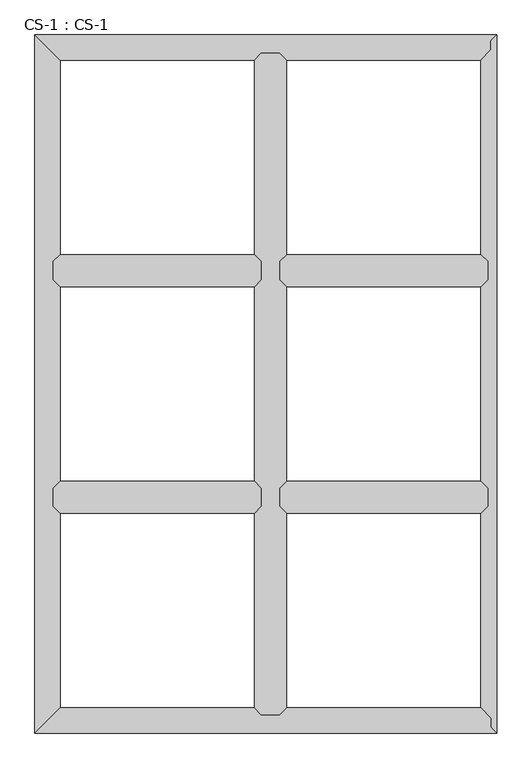
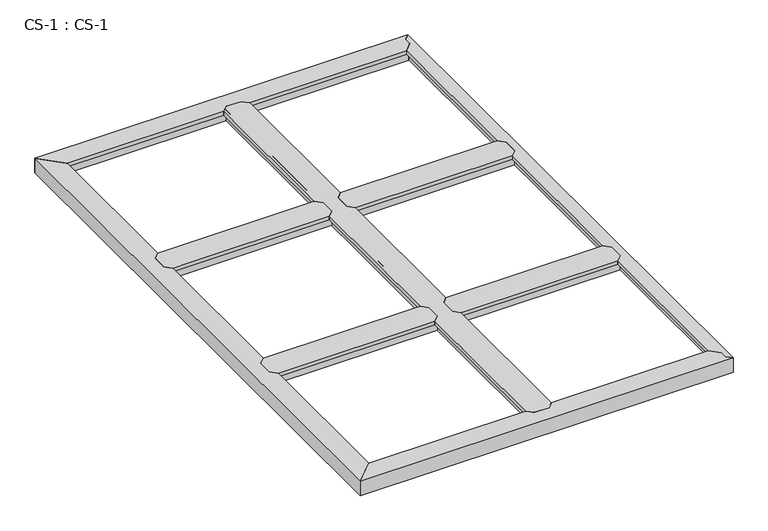
"""IFC4 building model written with IfcOpenShell, lengths in millimetres: proxy geometry, CS-1 : CS-1."""

from ifc_helpers import new_model, si_unit, origin, place, context, project, spatial, faceted_brep, source, transform, mapped, element, save


def cs_1_cs_1_a08e52f6(model_context):
    return source(origin(), model_context, "Body", "Brep", [
        faceted_brep([(812.8, 1625.6, 46.355), (812.8, 1625.6, 0.0), (812.8, 1632.585, 0.0), (812.8, 1632.585, 63.5), (812.8, 1684.655, 63.5), (812.8, 1684.655, 0.0), (812.8, 1691.64, 0.0), (812.8, 1691.64, 46.355), (812.8, 1691.64, 66.675), (812.8, 1625.6, 66.675), (66.04, 1691.64, 46.355), (66.04, 1691.64, 0.0), (66.04, 1684.655, 0.0), (66.04, 1684.655, 63.5), (66.04, 1632.585, 63.5), (66.04, 1632.585, 0.0), (66.04, 1625.6, 0.0), (66.04, 1625.6, 46.355), (66.04, 1625.6, 66.675), (66.04, 1691.64, 66.675), (90.678, 1716.278, 66.675), (788.162, 1716.278, 66.675), (788.162, 1716.278, 49.8094), (90.678, 1716.278, 49.8094), (789.686, 1714.754, 49.8094), (89.154, 1714.754, 49.8094), (789.686, 1714.754, 64.643), (89.154, 1714.754, 64.643), (799.973, 1704.467, 64.643), (78.867, 1704.467, 64.643), (799.973, 1704.467, 46.355), (78.867, 1704.467, 46.355), (799.973, 1612.773, 46.355), (78.867, 1612.773, 46.355), (799.973, 1612.773, 64.643), (78.867, 1612.773, 64.643), (789.686, 1602.486, 64.643), (89.154, 1602.486, 64.643), (789.686, 1602.486, 49.8094), (89.154, 1602.486, 49.8094), (788.162, 1600.962, 49.8094), (90.678, 1600.962, 49.8094), (788.162, 1600.962, 66.675), (90.678, 1600.962, 66.675)], [[[0, 1, 2, 3, 4, 5, 6, 7, 8, 9]], [[10, 11, 12, 13, 14, 15, 16, 17, 18, 19]], [[20, 21, 22, 23]], [[23, 22, 24, 25]], [[25, 24, 26, 27]], [[27, 26, 28, 29]], [[29, 28, 30, 31]], [[7, 10, 31, 30]], [[7, 6, 11, 10]], [[6, 5, 12, 11]], [[5, 4, 13, 12]], [[4, 3, 14, 13]], [[3, 2, 15, 14]], [[2, 1, 16, 15]], [[1, 0, 17, 16]], [[17, 0, 32, 33]], [[33, 32, 34, 35]], [[35, 34, 36, 37]], [[37, 36, 38, 39]], [[39, 38, 40, 41]], [[41, 40, 42, 43]], [[9, 8, 21, 20, 19, 18, 43, 42]], [[10, 19, 20, 23, 25, 27, 29, 31]], [[18, 17, 33, 35, 37, 39, 41, 43]], [[0, 9, 42, 40, 38, 36, 34, 32]], [[8, 7, 30, 28, 26, 24, 22, 21]]]),
        faceted_brep([(812.8, 812.8, 46.355), (812.8, 812.8, 0.0), (812.8, 819.785, 0.0), (812.8, 819.785, 63.5), (812.8, 871.855, 63.5), (812.8, 871.855, 0.0), (812.8, 878.84, 0.0), (812.8, 878.84, 46.355), (812.8, 878.84, 66.675), (812.8, 812.8, 66.675), (66.04, 878.84, 46.355), (66.04, 878.84, 0.0), (66.04, 871.855, 0.0), (66.04, 871.855, 63.5), (66.04, 819.785, 63.5), (66.04, 819.785, 0.0), (66.04, 812.8, 0.0), (66.04, 812.8, 46.355), (66.04, 812.8, 66.675), (66.04, 878.84, 66.675), (90.678, 903.478, 66.675), (788.162, 903.478, 66.675), (788.162, 903.478, 49.8094), (90.678, 903.478, 49.8094), (789.686, 901.954, 49.8094), (89.154, 901.954, 49.8094), (789.686, 901.954, 64.643), (89.154, 901.954, 64.643), (799.973, 891.667, 64.643), (78.867, 891.667, 64.643), (799.973, 891.667, 46.355), (78.867, 891.667, 46.355), (799.973, 799.973, 46.355), (78.867, 799.973, 46.355), (799.973, 799.973, 64.643), (78.867, 799.973, 64.643), (789.686, 789.686, 64.643), (89.154, 789.686, 64.643), (789.686, 789.686, 49.8094), (89.154, 789.686, 49.8094), (788.162, 788.162, 49.8094), (90.678, 788.162, 49.8094), (788.162, 788.162, 66.675), (90.678, 788.162, 66.675)], [[[0, 1, 2, 3, 4, 5, 6, 7, 8, 9]], [[10, 11, 12, 13, 14, 15, 16, 17, 18, 19]], [[20, 21, 22, 23]], [[23, 22, 24, 25]], [[25, 24, 26, 27]], [[27, 26, 28, 29]], [[29, 28, 30, 31]], [[7, 10, 31, 30]], [[7, 6, 11, 10]], [[6, 5, 12, 11]], [[5, 4, 13, 12]], [[4, 3, 14, 13]], [[3, 2, 15, 14]], [[2, 1, 16, 15]], [[1, 0, 17, 16]], [[17, 0, 32, 33]], [[33, 32, 34, 35]], [[35, 34, 36, 37]], [[37, 36, 38, 39]], [[39, 38, 40, 41]], [[41, 40, 42, 43]], [[9, 8, 21, 20, 19, 18, 43, 42]], [[10, 19, 20, 23, 25, 27, 29, 31]], [[18, 17, 33, 35, 37, 39, 41, 43]], [[0, 9, 42, 40, 38, 36, 34, 32]], [[8, 7, 30, 28, 26, 24, 22, 21]]]),
        faceted_brep([(878.84, 2438.4, 46.355), (878.84, 2438.4, 0.0), (871.855, 2438.4, 0.0), (871.855, 2438.4, 63.5), (819.785, 2438.4, 63.5), (819.785, 2438.4, 0.0), (812.8, 2438.4, 0.0), (812.8, 2438.4, 46.355), (812.8, 2438.4, 66.675), (878.84, 2438.4, 66.675), (812.8, 66.04, 46.355), (812.8, 66.04, 0.0), (819.785, 66.04, 0.0), (819.785, 66.04, 63.5), (871.855, 66.04, 63.5), (871.855, 66.04, 0.0), (878.84, 66.04, 0.0), (878.84, 66.04, 46.355), (878.84, 66.04, 66.675), (812.8, 66.04, 66.675), (788.162, 90.678, 49.8094), (788.162, 90.678, 66.675), (788.162, 788.162, 66.675), (788.162, 788.162, 49.8094), (788.162, 2413.762, 66.675), (788.162, 2413.762, 49.8094), (788.162, 1716.278, 49.8094), (788.162, 1716.278, 66.675), (788.162, 903.478, 49.8094), (788.162, 903.478, 66.675), (788.162, 1600.962, 66.675), (788.162, 1600.962, 49.8094), (789.686, 89.154, 49.8094), (789.686, 789.686, 49.8094), (789.686, 2415.286, 49.8094), (789.686, 1714.754, 49.8094), (789.686, 901.954, 49.8094), (789.686, 1602.486, 49.8094), (789.686, 89.154, 64.643), (789.686, 789.686, 64.643), (789.686, 2415.286, 64.643), (789.686, 1714.754, 64.643), (789.686, 901.954, 64.643), (789.686, 1602.486, 64.643), (799.973, 78.867, 64.643), (799.973, 799.973, 64.643), (799.973, 2425.573, 64.643), (799.973, 1704.467, 64.643), (799.973, 891.667, 64.643), (799.973, 1612.773, 64.643), (799.973, 78.867, 46.355), (799.973, 799.973, 46.355), (799.973, 2425.573, 46.355), (799.973, 1704.467, 46.355), (799.973, 891.667, 46.355), (799.973, 1612.773, 46.355), (812.8, 812.8, 46.355), (812.8, 1691.64, 46.355), (812.8, 878.84, 46.355), (812.8, 1625.6, 46.355), (812.8, 812.8, 66.675), (812.8, 878.84, 66.675), (812.8, 1625.6, 66.675), (812.8, 1691.64, 66.675), (878.84, 1691.64, 46.355), (878.84, 1691.64, 66.675), (878.84, 1625.6, 66.675), (878.84, 1625.6, 46.355), (878.84, 878.84, 46.355), (878.84, 878.84, 66.675), (878.84, 812.8, 66.675), (878.84, 812.8, 46.355), (891.667, 78.867, 46.355), (891.667, 799.973, 46.355), (891.667, 2425.573, 46.355), (891.667, 1704.467, 46.355), (891.667, 891.667, 46.355), (891.667, 1612.773, 46.355), (891.667, 78.867, 64.643), (891.667, 799.973, 64.643), (891.667, 2425.573, 64.643), (891.667, 1704.467, 64.643), (891.667, 891.667, 64.643), (891.667, 1612.773, 64.643), (901.954, 89.154, 64.643), (901.954, 789.686, 64.643), (901.954, 2415.286, 64.643), (901.954, 1714.754, 64.643), (901.954, 901.954, 64.643), (901.954, 1602.486, 64.643), (901.954, 89.154, 49.8094), (901.954, 789.686, 49.8094), (901.954, 2415.286, 49.8094), (901.954, 1714.754, 49.8094), (901.954, 901.954, 49.8094), (901.954, 1602.486, 49.8094), (903.478, 90.678, 49.8094), (903.478, 788.162, 49.8094), (903.478, 2413.762, 49.8094), (903.478, 1716.278, 49.8094), (903.478, 903.478, 49.8094), (903.478, 1600.962, 49.8094), (903.478, 90.678, 66.675), (903.478, 788.162, 66.675), (903.478, 2413.762, 66.675), (903.478, 1716.278, 66.675), (903.478, 903.478, 66.675), (903.478, 1600.962, 66.675)], [[[0, 1, 2, 3, 4, 5, 6, 7, 8, 9]], [[10, 11, 12, 13, 14, 15, 16, 17, 18, 19]], [[20, 21, 22, 23]], [[24, 25, 26, 27]], [[28, 29, 30, 31]], [[32, 20, 23, 33]], [[25, 34, 35, 26]], [[36, 28, 31, 37]], [[38, 32, 33, 39]], [[34, 40, 41, 35]], [[42, 36, 37, 43]], [[44, 38, 39, 45]], [[40, 46, 47, 41]], [[48, 42, 43, 49]], [[50, 44, 45, 51]], [[46, 52, 53, 47]], [[54, 48, 49, 55]], [[10, 50, 51, 56]], [[52, 7, 57, 53]], [[58, 54, 55, 59]], [[7, 6, 11, 10, 56, 60, 61, 58, 59, 62, 63, 57]], [[6, 5, 12, 11]], [[5, 4, 13, 12]], [[4, 3, 14, 13]], [[3, 2, 15, 14]], [[2, 1, 16, 15]], [[1, 0, 64, 65, 66, 67, 68, 69, 70, 71, 17, 16]], [[72, 17, 71, 73]], [[0, 74, 75, 64]], [[76, 68, 67, 77]], [[78, 72, 73, 79]], [[74, 80, 81, 75]], [[82, 76, 77, 83]], [[84, 78, 79, 85]], [[80, 86, 87, 81]], [[88, 82, 83, 89]], [[90, 84, 85, 91]], [[86, 92, 93, 87]], [[94, 88, 89, 95]], [[96, 90, 91, 97]], [[92, 98, 99, 93]], [[100, 94, 95, 101]], [[102, 96, 97, 103]], [[98, 104, 105, 99]], [[106, 100, 101, 107]], [[9, 8, 24, 27, 63, 62, 30, 29, 61, 60, 22, 21, 19, 18, 102, 103, 70, 69, 106, 107, 66, 65, 105, 104]], [[10, 19, 21, 20, 32, 38, 44, 50]], [[18, 17, 72, 78, 84, 90, 96, 102]], [[0, 9, 104, 98, 92, 86, 80, 74]], [[8, 7, 52, 46, 40, 34, 25, 24]], [[60, 56, 51, 45, 39, 33, 23, 22]], [[58, 61, 29, 28, 36, 42, 48, 54]], [[62, 59, 55, 49, 43, 37, 31, 30]], [[57, 63, 27, 26, 35, 41, 47, 53]], [[69, 68, 76, 82, 88, 94, 100, 106]], [[71, 70, 103, 97, 91, 85, 79, 73]], [[65, 64, 75, 81, 87, 93, 99, 105]], [[67, 66, 107, 101, 95, 89, 83, 77]]]),
        faceted_brep([(1625.6, 812.8, 46.355), (1625.6, 812.8, 0.0), (1625.6, 819.785, 0.0), (1625.6, 819.785, 63.5), (1625.6, 871.855, 63.5), (1625.6, 871.855, 0.0), (1625.6, 878.84, 0.0), (1625.6, 878.84, 46.355), (1625.6, 878.84, 66.675), (1625.6, 812.8, 66.675), (878.84, 878.84, 46.355), (878.84, 878.84, 0.0), (878.84, 871.855, 0.0), (878.84, 871.855, 63.5), (878.84, 819.785, 63.5), (878.84, 819.785, 0.0), (878.84, 812.8, 0.0), (878.84, 812.8, 46.355), (878.84, 812.8, 66.675), (878.84, 878.84, 66.675), (903.478, 903.478, 66.675), (1600.962, 903.478, 66.675), (1600.962, 903.478, 49.8094), (903.478, 903.478, 49.8094), (1602.486, 901.954, 49.8094), (901.954, 901.954, 49.8094), (1602.486, 901.954, 64.643), (901.954, 901.954, 64.643), (1612.773, 891.667, 64.643), (891.667, 891.667, 64.643), (1612.773, 891.667, 46.355), (891.667, 891.667, 46.355), (1612.773, 799.973, 46.355), (891.667, 799.973, 46.355), (1612.773, 799.973, 64.643), (891.667, 799.973, 64.643), (1602.486, 789.686, 64.643), (901.954, 789.686, 64.643), (1602.486, 789.686, 49.8094), (901.954, 789.686, 49.8094), (1600.962, 788.162, 49.8094), (903.478, 788.162, 49.8094), (1600.962, 788.162, 66.675), (903.478, 788.162, 66.675)], [[[0, 1, 2, 3, 4, 5, 6, 7, 8, 9]], [[10, 11, 12, 13, 14, 15, 16, 17, 18, 19]], [[20, 21, 22, 23]], [[23, 22, 24, 25]], [[25, 24, 26, 27]], [[27, 26, 28, 29]], [[29, 28, 30, 31]], [[7, 10, 31, 30]], [[7, 6, 11, 10]], [[6, 5, 12, 11]], [[5, 4, 13, 12]], [[4, 3, 14, 13]], [[3, 2, 15, 14]], [[2, 1, 16, 15]], [[1, 0, 17, 16]], [[17, 0, 32, 33]], [[33, 32, 34, 35]], [[35, 34, 36, 37]], [[37, 36, 38, 39]], [[39, 38, 40, 41]], [[41, 40, 42, 43]], [[9, 8, 21, 20, 19, 18, 43, 42]], [[10, 19, 20, 23, 25, 27, 29, 31]], [[18, 17, 33, 35, 37, 39, 41, 43]], [[0, 9, 42, 40, 38, 36, 34, 32]], [[8, 7, 30, 28, 26, 24, 22, 21]]]),
        faceted_brep([(1625.6, 1625.6, 46.355), (1625.6, 1625.6, 0.0), (1625.6, 1632.585, 0.0), (1625.6, 1632.585, 63.5), (1625.6, 1684.655, 63.5), (1625.6, 1684.655, 0.0), (1625.6, 1691.64, 0.0), (1625.6, 1691.64, 46.355), (1625.6, 1691.64, 66.675), (1625.6, 1625.6, 66.675), (878.84, 1691.64, 46.355), (878.84, 1691.64, 0.0), (878.84, 1684.655, 0.0), (878.84, 1684.655, 63.5), (878.84, 1632.585, 63.5), (878.84, 1632.585, 0.0), (878.84, 1625.6, 0.0), (878.84, 1625.6, 46.355), (878.84, 1625.6, 66.675), (878.84, 1691.64, 66.675), (903.478, 1716.278, 66.675), (1600.962, 1716.278, 66.675), (1600.962, 1716.278, 49.8094), (903.478, 1716.278, 49.8094), (1602.486, 1714.754, 49.8094), (901.954, 1714.754, 49.8094), (1602.486, 1714.754, 64.643), (901.954, 1714.754, 64.643), (1612.773, 1704.467, 64.643), (891.667, 1704.467, 64.643), (1612.773, 1704.467, 46.355), (891.667, 1704.467, 46.355), (1612.773, 1612.773, 46.355), (891.667, 1612.773, 46.355), (1612.773, 1612.773, 64.643), (891.667, 1612.773, 64.643), (1602.486, 1602.486, 64.643), (901.954, 1602.486, 64.643), (1602.486, 1602.486, 49.8094), (901.954, 1602.486, 49.8094), (1600.962, 1600.962, 49.8094), (903.478, 1600.962, 49.8094), (1600.962, 1600.962, 66.675), (903.478, 1600.962, 66.675)], [[[0, 1, 2, 3, 4, 5, 6, 7, 8, 9]], [[10, 11, 12, 13, 14, 15, 16, 17, 18, 19]], [[20, 21, 22, 23]], [[23, 22, 24, 25]], [[25, 24, 26, 27]], [[27, 26, 28, 29]], [[29, 28, 30, 31]], [[7, 10, 31, 30]], [[7, 6, 11, 10]], [[6, 5, 12, 11]], [[5, 4, 13, 12]], [[4, 3, 14, 13]], [[3, 2, 15, 14]], [[2, 1, 16, 15]], [[1, 0, 17, 16]], [[17, 0, 32, 33]], [[33, 32, 34, 35]], [[35, 34, 36, 37]], [[37, 36, 38, 39]], [[39, 38, 40, 41]], [[41, 40, 42, 43]], [[9, 8, 21, 20, 19, 18, 43, 42]], [[10, 19, 20, 23, 25, 27, 29, 31]], [[18, 17, 33, 35, 37, 39, 41, 43]], [[0, 9, 42, 40, 38, 36, 34, 32]], [[8, 7, 30, 28, 26, 24, 22, 21]]]),
        faceted_brep([(1658.62, 0.0, 0.0), (0.0, 0.0, 0.0), (6.985, 6.985, 0.0), (1651.635, 6.985, 0.0), (1651.635, 6.985, 63.5), (6.985, 6.985, 63.5), (1637.03, 21.59, 63.5), (59.055, 59.055, 63.5), (1631.5093878, 59.055, 63.5), (1637.03, 53.34, 63.5), (1631.5093878, 59.055, 0.0), (59.055, 59.055, 0.0), (66.04, 66.04, 0.0), (1624.7619728, 66.04, 0.0), (1624.7619728, 66.04, 46.355), (66.04, 66.04, 46.355), (812.8, 66.04, 46.355), (812.8, 66.04, 66.675), (878.84, 66.04, 66.675), (878.84, 66.04, 46.355), (1612.3712653, 78.867, 46.355), (891.667, 78.867, 46.355), (78.867, 78.867, 46.355), (799.973, 78.867, 46.355), (1612.3712653, 78.867, 63.5), (891.667, 78.867, 63.5), (78.867, 78.867, 63.5), (799.973, 78.867, 63.5), (1602.4341633, 89.154, 63.5), (901.954, 89.154, 63.5), (89.154, 89.154, 63.5), (789.686, 89.154, 63.5), (1602.4341633, 89.154, 49.8094), (901.954, 89.154, 49.8094), (89.154, 89.154, 49.8094), (789.686, 89.154, 49.8094), (1600.962, 90.678, 49.8094), (903.478, 90.678, 49.8094), (90.678, 90.678, 49.8094), (788.162, 90.678, 49.8094), (1600.962, 90.678, 66.675), (903.478, 90.678, 66.675), (90.678, 90.678, 66.675), (788.162, 90.678, 66.675), (0.0, 0.0, 66.675), (1658.62, 0.0, 66.675), (1637.03, 21.59, 66.675), (1637.03, 53.34, 66.675)], [[[0, 1, 2, 3]], [[4, 3, 2, 5]], [[6, 4, 5, 7, 8, 9]], [[10, 8, 7, 11]], [[12, 13, 10, 11]], [[14, 13, 12, 15, 16, 17, 18, 19]], [[20, 14, 19, 21]], [[15, 22, 23, 16]], [[24, 20, 21, 25]], [[22, 26, 27, 23]], [[28, 24, 25, 29]], [[26, 30, 31, 27]], [[32, 28, 29, 33]], [[30, 34, 35, 31]], [[36, 32, 33, 37]], [[34, 38, 39, 35]], [[40, 36, 37, 41]], [[38, 42, 43, 39]], [[44, 45, 46, 47, 40, 41, 18, 17, 43, 42]], [[1, 0, 45, 44]], [[6, 46, 45, 0, 3, 4]], [[47, 9, 8, 10, 13, 14, 20, 24, 28, 32, 36, 40]], [[46, 6, 9, 47]], [[2, 1, 44, 42, 38, 34, 30, 26, 22, 15, 12, 11, 7, 5]], [[17, 16, 23, 27, 31, 35, 39, 43]], [[19, 18, 41, 37, 33, 29, 25, 21]]]),
        faceted_brep([(1658.62, 0.0, 66.675), (1658.62, 2504.44, 66.675), (1637.03, 2482.85, 66.675), (1637.03, 2451.1, 66.675), (1600.962, 2413.762, 66.675), (1600.962, 1716.278, 66.675), (1625.6, 1691.64, 66.675), (1625.6, 1625.6, 66.675), (1600.962, 1600.962, 66.675), (1600.962, 903.478, 66.675), (1625.6, 878.84, 66.675), (1625.6, 812.8, 66.675), (1600.962, 788.162, 66.675), (1600.962, 90.678, 66.675), (1637.03, 53.34, 66.675), (1637.03, 21.59, 66.675), (1658.62, 0.0, 63.5), (1658.62, 2504.44, 63.5), (1637.03, 21.59, 63.5), (1637.03, 53.34, 63.5), (1632.585, 57.9415141, 63.5), (1632.585, 2446.4984859, 63.5), (1637.03, 2451.1, 63.5), (1637.03, 2482.85, 63.5), (1632.585, 2446.4984859, 0.0), (1632.585, 57.9415141, 0.0), (1625.6, 65.1724648, 0.0), (1625.6, 2439.2675352, 0.0), (1625.6, 2439.2675352, 46.355), (1625.6, 65.1724648, 46.355), (1625.6, 812.8, 46.355), (1625.6, 878.84, 46.355), (1625.6, 1625.6, 46.355), (1625.6, 1691.64, 46.355), (1612.773, 2425.9888803, 46.355), (1612.773, 1704.467, 46.355), (1612.773, 78.4511197, 46.355), (1612.773, 799.973, 46.355), (1612.773, 1612.773, 46.355), (1612.773, 891.667, 46.355), (1612.773, 2425.9888803, 64.643), (1612.773, 1704.467, 64.643), (1612.773, 78.4511197, 64.643), (1612.773, 799.973, 64.643), (1612.773, 1612.773, 64.643), (1612.773, 891.667, 64.643), (1602.486, 2415.339662, 64.643), (1602.486, 1714.754, 64.643), (1602.486, 89.100338, 64.643), (1602.486, 789.686, 64.643), (1602.486, 1602.486, 64.643), (1602.486, 901.954, 64.643), (1602.486, 2415.339662, 49.8094), (1602.486, 1714.754, 49.8094), (1602.486, 89.100338, 49.8094), (1602.486, 789.686, 49.8094), (1602.486, 1602.486, 49.8094), (1602.486, 901.954, 49.8094), (1600.962, 2413.762, 49.8094), (1600.962, 1716.278, 49.8094), (1600.962, 90.678, 49.8094), (1600.962, 788.162, 49.8094), (1600.962, 1600.962, 49.8094), (1600.962, 903.478, 49.8094)], [[[0, 1, 2, 3, 4, 5, 6, 7, 8, 9, 10, 11, 12, 13, 14, 15]], [[1, 0, 16, 17]], [[17, 16, 18, 19, 20, 21, 22, 23]], [[24, 21, 20, 25]], [[26, 27, 24, 25]], [[28, 27, 26, 29, 30, 11, 10, 31, 32, 7, 6, 33]], [[34, 28, 33, 35]], [[29, 36, 37, 30]], [[38, 32, 31, 39]], [[40, 34, 35, 41]], [[36, 42, 43, 37]], [[44, 38, 39, 45]], [[46, 40, 41, 47]], [[42, 48, 49, 43]], [[50, 44, 45, 51]], [[52, 46, 47, 53]], [[48, 54, 55, 49]], [[56, 50, 51, 57]], [[58, 52, 53, 59]], [[54, 60, 61, 55]], [[62, 56, 57, 63]], [[4, 58, 59, 5]], [[60, 13, 12, 61]], [[8, 62, 63, 9]], [[23, 2, 1, 17]], [[3, 22, 21, 24, 27, 28, 34, 40, 46, 52, 58, 4]], [[2, 23, 22, 3]], [[18, 15, 14, 19]], [[19, 14, 13, 60, 54, 48, 42, 36, 29, 26, 25, 20]], [[15, 18, 16, 0]], [[7, 32, 38, 44, 50, 56, 62, 8]], [[33, 6, 5, 59, 53, 47, 41, 35]], [[11, 30, 37, 43, 49, 55, 61, 12]], [[31, 10, 9, 63, 57, 51, 45, 39]]]),
        faceted_brep([(0.0, 2504.44, 0.0), (1658.62, 2504.44, 0.0), (1651.635, 2497.455, 0.0), (6.985, 2497.455, 0.0), (6.985, 2497.455, 63.5), (1651.635, 2497.455, 63.5), (59.055, 2445.385, 63.5), (1637.03, 2482.85, 63.5), (1637.03, 2451.1, 63.5), (1631.5093878, 2445.385, 63.5), (59.055, 2445.385, 0.0), (1631.5093878, 2445.385, 0.0), (1624.7619728, 2438.4, 0.0), (66.04, 2438.4, 0.0), (66.04, 2438.4, 46.355), (1624.7619728, 2438.4, 46.355), (878.84, 2438.4, 46.355), (878.84, 2438.4, 66.675), (812.8, 2438.4, 66.675), (812.8, 2438.4, 46.355), (78.867, 2425.573, 46.355), (799.973, 2425.573, 46.355), (1612.3712653, 2425.573, 46.355), (891.667, 2425.573, 46.355), (78.867, 2425.573, 63.5), (799.973, 2425.573, 63.5), (1612.3712653, 2425.573, 63.5), (891.667, 2425.573, 63.5), (89.154, 2415.286, 63.5), (789.686, 2415.286, 63.5), (1602.4341633, 2415.286, 63.5), (901.954, 2415.286, 63.5), (89.154, 2415.286, 49.8094), (789.686, 2415.286, 49.8094), (1602.4341633, 2415.286, 49.8094), (901.954, 2415.286, 49.8094), (90.678, 2413.762, 49.8094), (788.162, 2413.762, 49.8094), (1600.962, 2413.762, 49.8094), (903.478, 2413.762, 49.8094), (90.678, 2413.762, 66.675), (788.162, 2413.762, 66.675), (1600.962, 2413.762, 66.675), (903.478, 2413.762, 66.675), (1658.62, 2504.44, 66.675), (0.0, 2504.44, 66.675), (1637.03, 2451.1, 66.675), (1637.03, 2482.85, 66.675)], [[[0, 1, 2, 3]], [[4, 3, 2, 5]], [[6, 4, 5, 7, 8, 9]], [[10, 6, 9, 11]], [[12, 13, 10, 11]], [[14, 13, 12, 15, 16, 17, 18, 19]], [[20, 14, 19, 21]], [[15, 22, 23, 16]], [[24, 20, 21, 25]], [[22, 26, 27, 23]], [[28, 24, 25, 29]], [[26, 30, 31, 27]], [[32, 28, 29, 33]], [[30, 34, 35, 31]], [[36, 32, 33, 37]], [[34, 38, 39, 35]], [[40, 36, 37, 41]], [[38, 42, 43, 39]], [[44, 45, 40, 41, 18, 17, 43, 42, 46, 47]], [[1, 0, 45, 44]], [[0, 3, 4, 6, 10, 13, 14, 20, 24, 28, 32, 36, 40, 45]], [[7, 47, 46, 8]], [[8, 46, 42, 38, 34, 30, 26, 22, 15, 12, 11, 9]], [[47, 7, 5, 2, 1, 44]], [[17, 16, 23, 27, 31, 35, 39, 43]], [[19, 18, 41, 37, 33, 29, 25, 21]]]),
        faceted_brep([(0.0, 0.0, 0.0), (0.0, 2504.44, 0.0), (6.985, 2497.455, 0.0), (6.985, 6.985, 0.0), (6.985, 6.985, 63.5), (6.985, 2497.455, 63.5), (59.055, 59.055, 63.5), (59.055, 2445.385, 63.5), (59.055, 59.055, 0.0), (59.055, 2445.385, 0.0), (66.04, 2438.4, 0.0), (66.04, 66.04, 0.0), (66.04, 66.04, 46.355), (66.04, 2438.4, 46.355), (66.04, 1691.64, 46.355), (66.04, 1691.64, 66.675), (66.04, 1625.6, 66.675), (66.04, 1625.6, 46.355), (66.04, 878.84, 46.355), (66.04, 878.84, 66.675), (66.04, 812.8, 66.675), (66.04, 812.8, 46.355), (78.867, 78.867, 46.355), (78.867, 799.973, 46.355), (78.867, 2425.573, 46.355), (78.867, 1704.467, 46.355), (78.867, 891.667, 46.355), (78.867, 1612.773, 46.355), (78.867, 78.867, 63.5), (78.867, 799.973, 63.5), (78.867, 2425.573, 63.5), (78.867, 1704.467, 63.5), (78.867, 891.667, 63.5), (78.867, 1612.773, 63.5), (89.154, 89.154, 63.5), (89.154, 789.686, 63.5), (89.154, 2415.286, 63.5), (89.154, 1714.754, 63.5), (89.154, 901.954, 63.5), (89.154, 1602.486, 63.5), (89.154, 89.154, 49.8094), (89.154, 789.686, 49.8094), (89.154, 2415.286, 49.8094), (89.154, 1714.754, 49.8094), (89.154, 901.954, 49.8094), (89.154, 1602.486, 49.8094), (90.678, 90.678, 49.8094), (90.678, 788.162, 49.8094), (90.678, 2413.762, 49.8094), (90.678, 1716.278, 49.8094), (90.678, 903.478, 49.8094), (90.678, 1600.962, 49.8094), (90.678, 90.678, 66.675), (90.678, 788.162, 66.675), (90.678, 2413.762, 66.675), (90.678, 1716.278, 66.675), (90.678, 903.478, 66.675), (90.678, 1600.962, 66.675), (0.0, 2504.44, 66.675), (0.0, 0.0, 66.675)], [[[0, 1, 2, 3]], [[4, 3, 2, 5]], [[6, 4, 5, 7]], [[8, 6, 7, 9]], [[10, 11, 8, 9]], [[12, 11, 10, 13, 14, 15, 16, 17, 18, 19, 20, 21]], [[22, 12, 21, 23]], [[13, 24, 25, 14]], [[26, 18, 17, 27]], [[28, 22, 23, 29]], [[24, 30, 31, 25]], [[32, 26, 27, 33]], [[34, 28, 29, 35]], [[30, 36, 37, 31]], [[38, 32, 33, 39]], [[40, 34, 35, 41]], [[36, 42, 43, 37]], [[44, 38, 39, 45]], [[46, 40, 41, 47]], [[42, 48, 49, 43]], [[50, 44, 45, 51]], [[52, 46, 47, 53]], [[48, 54, 55, 49]], [[56, 50, 51, 57]], [[58, 59, 52, 53, 20, 19, 56, 57, 16, 15, 55, 54]], [[1, 0, 59, 58]], [[0, 3, 4, 6, 8, 11, 12, 22, 28, 34, 40, 46, 52, 59]], [[2, 1, 58, 54, 48, 42, 36, 30, 24, 13, 10, 9, 7, 5]], [[19, 18, 26, 32, 38, 44, 50, 56]], [[21, 20, 53, 47, 41, 35, 29, 23]], [[15, 14, 25, 31, 37, 43, 49, 55]], [[17, 16, 57, 51, 45, 39, 33, 27]]]),
    ])


if __name__ == "__main__":
    model = new_model("IFC4")
    model_context = context("Model", 3, world=origin())
    ifc_project = project(units=[si_unit("LENGTHUNIT", "METRE", prefix="MILLI")], contexts=[model_context])
    site = spatial("IfcSite", under=ifc_project)
    building = spatial("IfcBuilding", under=site)
    placement = place(None, origin())
    cs_1_cs_1_shape = cs_1_cs_1_a08e52f6(model_context)
    element("IfcBuildingElementProxy", 1, Name="CS-1 : CS-1", ObjectType="CS-1 : CS-1", at=placement, inside=building, context=model_context, shape_type="MappedRepresentation", body=[
        mapped(cs_1_cs_1_shape, transform((0.0, 0.0, 0.0), x_axis=(1.0, 0.0, 0.0), y_axis=(0.0, 1.0, 0.0), z_axis=(0.0, 0.0, 1.0))),
    ])
    save(model, "model.ifc")
